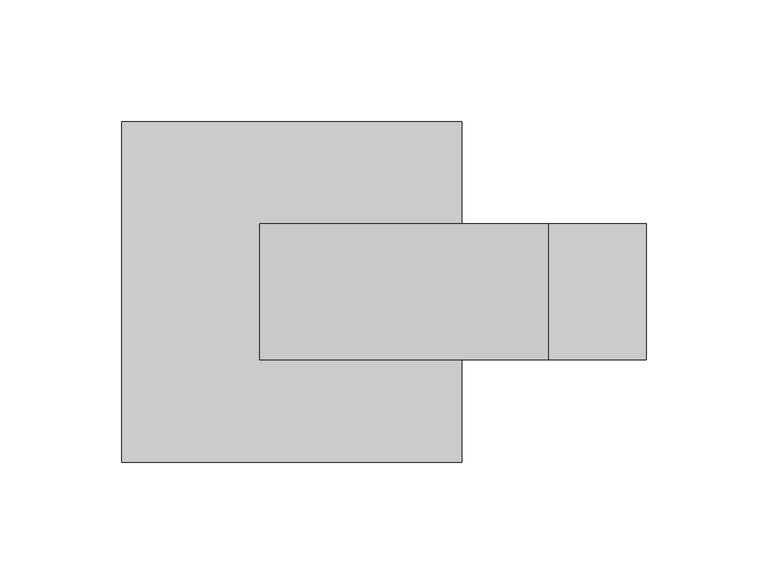
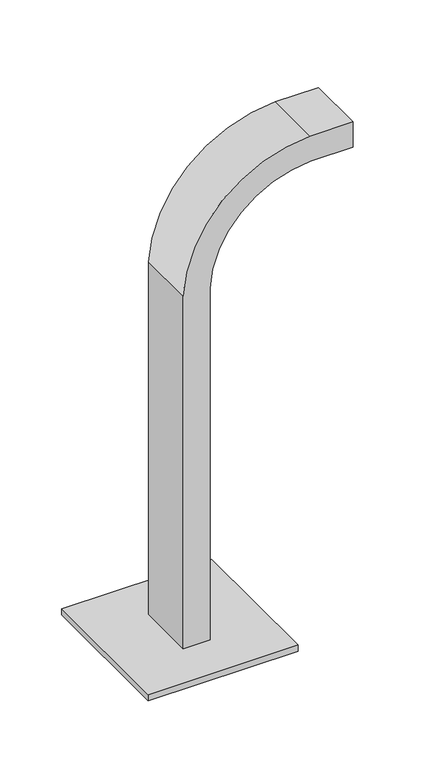
"""IFC4 building model written with IfcOpenShell, lengths in millimetres: furniture geometry."""

from ifc_helpers import new_model, si_unit, point, frame, frame_2d, origin, origin_with_axes, place, context, project, spatial, polyline, circle_curve, trimmed, segment, composite_curve, outline, extrude, source, transform, mapped, element, save


def furniture_76cc81c9(model_context):
    return source(origin(), model_context, "Body", "SweptSolid", [
        extrude(outline(composite_curve([segment(trimmed(circle_curve(frame_2d((353.0696692, -610.1651072)), 98.0547414), [point((358.7575366, -708.0547414))], [point((451.0547414, -613.8607731))], True, "CARTESIAN"), True, "CONTINUOUS"), segment(polyline([(451.0547414, -613.8607731), (451.0547414, -574.0794885), (476.0547414, -574.0794885), (476.0547414, -614.3053257)]), True, "CONTINUOUS"), segment(trimmed(circle_curve(frame_2d((353.0696692, -610.1651072)), 123.0547414), [point((476.0547414, -614.3053257))], [point((359.4420469, -733.0547414))], False, "CARTESIAN"), True, "CONTINUOUS"), segment(polyline([(359.4420469, -733.0547414), (11.0, -733.0547414), (11.0, -708.0547414), (358.7575366, -708.0547414)]), True, "CONTINUOUS")], self_intersect=False)), frame((0.0, -27.920928, 0.0), z_axis=(0.0, 1.0, 0.0), x_axis=(0.0, 0.0, 1.0)), (0.0, 0.0, 1.0), 55.8418559),
        extrude(outline(composite_curve([segment(trimmed(circle_curve(frame_2d((-778.0500045, 58.0314537)), 5.0), [point((-783.0500045, 58.0314537))], [point((-773.0500045, 58.0314537))], False, "CARTESIAN"), True, "CONTINUOUS"), segment(trimmed(circle_curve(frame_2d((-778.0500045, 58.0314537)), 5.0), [point((-773.0500045, 58.0314537))], [point((-783.0500045, 58.0314537))], False, "CARTESIAN"), True, "CONTINUOUS")], self_intersect=False)), origin_with_axes(), (0.0, 0.0, 1.0), 5.0),
        extrude(outline(composite_curve([segment(trimmed(circle_curve(frame_2d((-661.9499955, 58.0314537)), 5.0), [point((-666.9499955, 58.0314537))], [point((-656.9499955, 58.0314537))], False, "CARTESIAN"), True, "CONTINUOUS"), segment(trimmed(circle_curve(frame_2d((-661.9499955, 58.0314537)), 5.0), [point((-656.9499955, 58.0314537))], [point((-666.9499955, 58.0314537))], False, "CARTESIAN"), True, "CONTINUOUS")], self_intersect=False)), origin_with_axes(), (0.0, 0.0, 1.0), 5.0),
        extrude(outline(composite_curve([segment(trimmed(circle_curve(frame_2d((-778.0500045, -58.0314537)), 5.0), [point((-783.0500045, -58.0314537))], [point((-773.0500045, -58.0314537))], False, "CARTESIAN"), True, "CONTINUOUS"), segment(trimmed(circle_curve(frame_2d((-778.0500045, -58.0314537)), 5.0), [point((-773.0500045, -58.0314537))], [point((-783.0500045, -58.0314537))], False, "CARTESIAN"), True, "CONTINUOUS")], self_intersect=False)), origin_with_axes(), (0.0, 0.0, 1.0), 5.0),
        extrude(outline(composite_curve([segment(trimmed(circle_curve(frame_2d((-661.9499955, -58.0314537)), 5.0), [point((-666.9499955, -58.0314537))], [point((-656.9499955, -58.0314537))], False, "CARTESIAN"), True, "CONTINUOUS"), segment(trimmed(circle_curve(frame_2d((-661.9499955, -58.0314537)), 5.0), [point((-656.9499955, -58.0314537))], [point((-666.9499955, -58.0314537))], False, "CARTESIAN"), True, "CONTINUOUS")], self_intersect=False)), origin_with_axes(), (0.0, 0.0, 1.0), 5.0),
        extrude(outline(polyline([(-650.0, 70.0), (-650.0, -70.0), (-790.0, -70.0), (-790.0, 70.0), (-650.0, 70.0)])), frame((0.0, 0.0, 5.0), z_axis=(0.0, 0.0, 1.0), x_axis=(1.0, 0.0, 0.0)), (0.0, 0.0, 1.0), 6.0),
    ])


if __name__ == "__main__":
    model = new_model("IFC4")
    model_context = context("Model", 3, world=origin())
    ifc_project = project(units=[si_unit("LENGTHUNIT", "METRE", prefix="MILLI")], contexts=[model_context])
    site = spatial("IfcSite", under=ifc_project)
    building = spatial("IfcBuilding", under=site)
    placement = place(None, origin())
    furniture_shape = furniture_76cc81c9(model_context)
    element("IfcFurniture", 1, at=placement, inside=building, context=model_context, shape_type="MappedRepresentation", body=[
        mapped(furniture_shape, transform((0.0, 0.0, 0.0), x_axis=(1.0, 0.0, 0.0), y_axis=(0.0, 1.0, 0.0), z_axis=(0.0, 0.0, 1.0))),
    ])
    save(model, "model.ifc")
